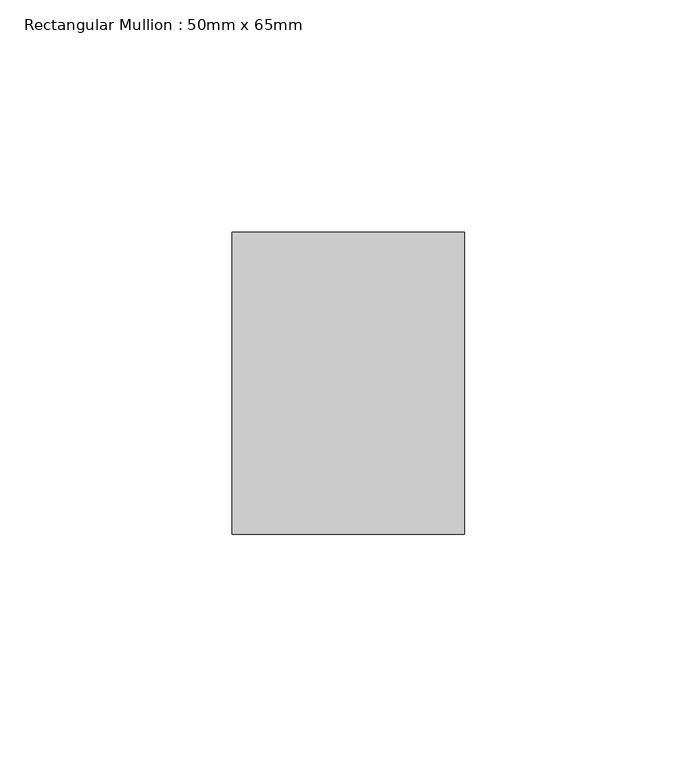
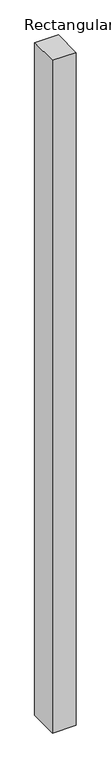
"""IFC4 building model written with IfcOpenShell, lengths in millimetres: member geometry, Rectangular Mullion : 50mm x 65mm."""

from ifc_helpers import new_model, si_unit, origin, place, context, project, spatial, faceted_brep, source, transform, mapped, element, save


def rectangular_mullion_50mm_x_65mm_16abde3e(model_context):
    return source(origin(), model_context, "Body", "Brep", [
        faceted_brep([(-25.0, 32.5, -0.0443358), (25.0, 32.5, -0.044336), (25.0, 32.5, -1499.9018929), (-25.0, 32.5, -1499.9018933), (-25.0, -32.5, 0.044336), (-25.0, -32.5, -1500.0980697), (25.0, -32.5, 0.0443358), (25.0, -32.5, -1500.0980692)], [[[0, 1, 2, 3]], [[4, 0, 3, 5]], [[6, 4, 5, 7]], [[1, 6, 7, 2]], [[1, 0, 4, 6]], [[2, 7, 5, 3]]]),
    ])


if __name__ == "__main__":
    model = new_model("IFC4")
    model_context = context("Model", 3, world=origin())
    ifc_project = project(units=[si_unit("LENGTHUNIT", "METRE", prefix="MILLI")], contexts=[model_context])
    site = spatial("IfcSite", under=ifc_project)
    building = spatial("IfcBuilding", under=site)
    placement = place(None, origin())
    rectangular_mullion_50mm_x_65mm_shape = rectangular_mullion_50mm_x_65mm_16abde3e(model_context)
    element("IfcMember", 1, ObjectType="Rectangular Mullion : 50mm x 65mm", at=placement, inside=building, context=model_context, shape_type="MappedRepresentation", body=[
        mapped(rectangular_mullion_50mm_x_65mm_shape, transform((0.0, 0.0, 0.0), x_axis=(1.0, 0.0, 0.0), y_axis=(0.0, 1.0, 0.0), z_axis=(0.0, 0.0, 1.0))),
    ])
    save(model, "model.ifc")
